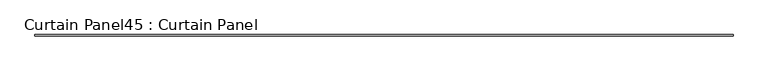
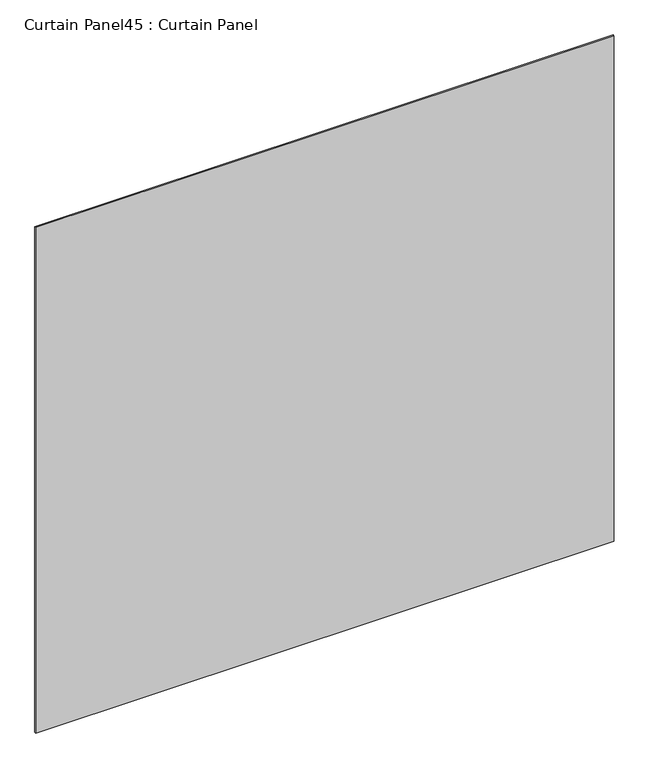
"""IFC4 building model written with IfcOpenShell, lengths in millimetres: plate geometry, Curtain Panel45 : Curtain Panel."""

from ifc_helpers import new_model, si_unit, frame, origin, place, context, project, spatial, polyline, outline, extrude, source, transform, mapped, element, save


def curtain_panel45_curtain_panel_ff042276(model_context):
    return source(origin(), model_context, "Body", "SweptSolid", [
        extrude(outline(polyline([(955478.4921241, 2099.8294974), (952180.1781374, 2099.8294974), (952180.1781374, 2106.1794974), (955478.4921241, 2106.1794974), (955478.4921241, 2099.8294974)])), frame((0.0, 0.0, 3136.8926964), z_axis=(0.0, 0.0, 1.0), x_axis=(1.0, 0.0, 0.0)), (0.0, 0.0, 1.0), 3048.0),
    ])


if __name__ == "__main__":
    model = new_model("IFC4")
    model_context = context("Model", 3, world=origin())
    ifc_project = project(units=[si_unit("LENGTHUNIT", "METRE", prefix="MILLI")], contexts=[model_context])
    site = spatial("IfcSite", under=ifc_project)
    building = spatial("IfcBuilding", under=site)
    placement = place(None, origin())
    curtain_panel45_curtain_panel_shape = curtain_panel45_curtain_panel_ff042276(model_context)
    element("IfcPlate", 1, ObjectType="Curtain Panel45 : Curtain Panel", at=placement, inside=building, context=model_context, shape_type="MappedRepresentation", body=[
        mapped(curtain_panel45_curtain_panel_shape, transform((0.0, 0.0, 0.0), x_axis=(1.0, 0.0, 0.0), y_axis=(0.0, 1.0, 0.0), z_axis=(0.0, 0.0, 1.0))),
    ])
    save(model, "model.ifc")
